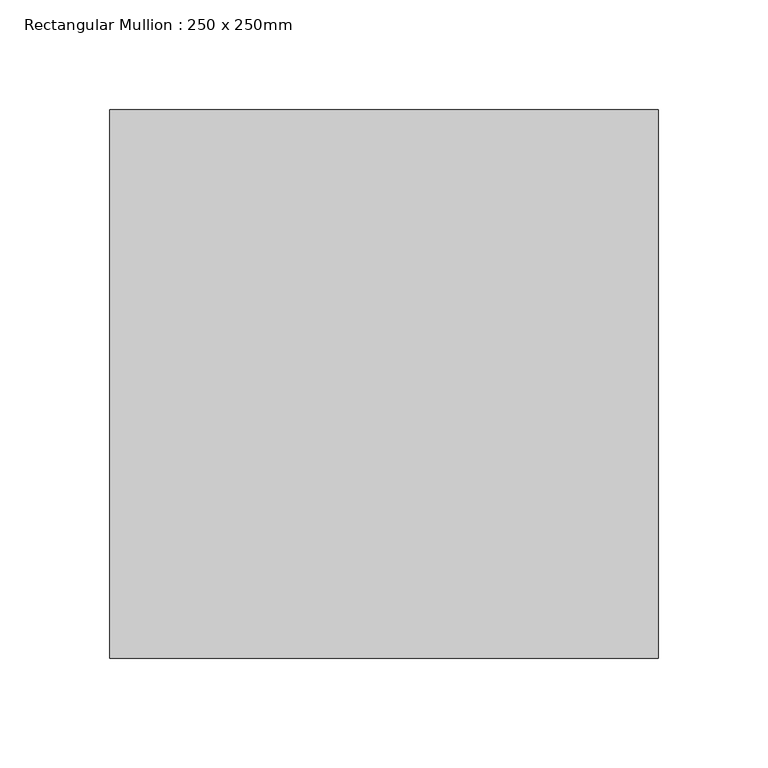
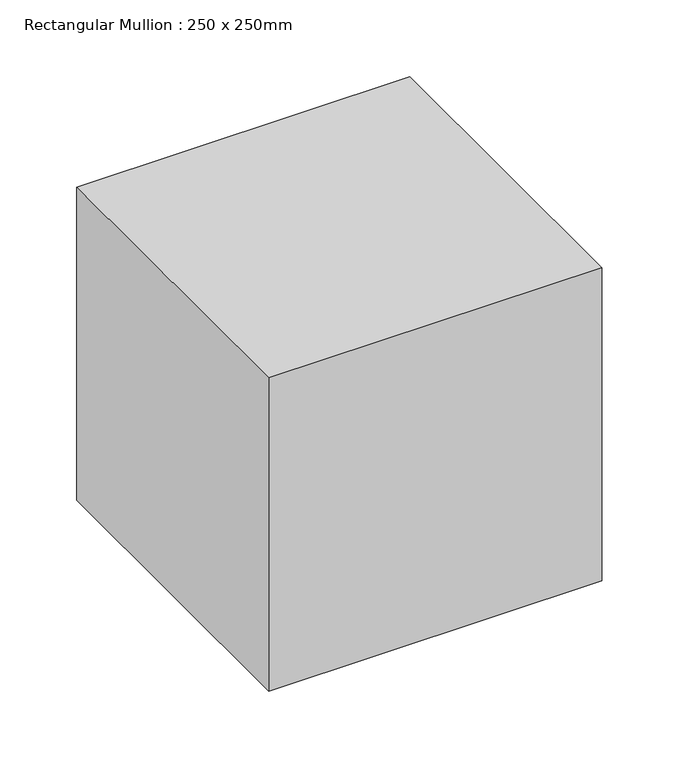
"""IFC4 building model written with IfcOpenShell, lengths in millimetres: member geometry, Rectangular Mullion : 250 x 250mm."""

from ifc_helpers import new_model, si_unit, frame, origin, place, context, project, spatial, polyline, outline, extrude, source, transform, mapped, element, save


def rectangular_mullion_250_x_250mm_c37fcdc8(model_context):
    return source(origin(), model_context, "Body", "SweptSolid", [
        extrude(outline(polyline([(0.0, 125.0), (0.0, -125.0), (-250.0, -125.0), (-250.0, 125.0), (0.0, 125.0)])), frame((0.0, 0.0, -248.7916629), z_axis=(0.0, 0.0, 1.0), x_axis=(1.0, 0.0, 0.0)), (0.0, 0.0, 1.0), 248.7916629),
    ])


if __name__ == "__main__":
    model = new_model("IFC4")
    model_context = context("Model", 3, world=origin())
    ifc_project = project(units=[si_unit("LENGTHUNIT", "METRE", prefix="MILLI")], contexts=[model_context])
    site = spatial("IfcSite", under=ifc_project)
    building = spatial("IfcBuilding", under=site)
    placement = place(None, origin())
    rectangular_mullion_250_x_250mm_shape = rectangular_mullion_250_x_250mm_c37fcdc8(model_context)
    element("IfcMember", 1, ObjectType="Rectangular Mullion : 250 x 250mm", at=placement, inside=building, context=model_context, shape_type="MappedRepresentation", body=[
        mapped(rectangular_mullion_250_x_250mm_shape, transform((0.0, 0.0, 0.0), x_axis=(1.0, 0.0, 0.0), y_axis=(0.0, 1.0, 0.0), z_axis=(0.0, 0.0, 1.0))),
    ])
    save(model, "model.ifc")
